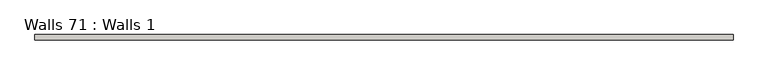
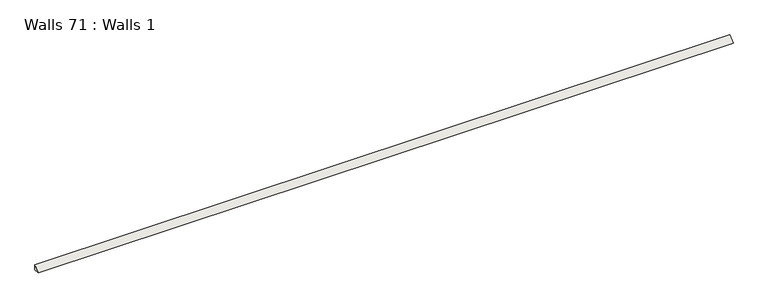
"""IFC4 building model written with IfcOpenShell, lengths in millimetres: wall geometry, Walls 71 : Walls 1."""

from ifc_helpers import new_model, si_unit, frame, origin, place, context, project, spatial, polyline, outline, extrude, source, transform, mapped, element, save


def walls_71_walls_1_80bbcda9(model_context):
    return source(origin(), model_context, "Body", "SweptSolid", [
        extrude(outline(polyline([(2133.1755881, 19.05), (2133.1755881, 0.0), (2114.1255881, 0.0), (2133.1755881, 19.05)])), frame((548.4976426, 0.0, 0.0), z_axis=(1.0, 0.0, 0.0), x_axis=(0.0, 1.0, 0.0)), (0.0, 0.0, 1.0), 2438.4),
    ])


if __name__ == "__main__":
    model = new_model("IFC4")
    model_context = context("Model", 3, world=origin())
    ifc_project = project(units=[si_unit("LENGTHUNIT", "METRE", prefix="MILLI")], contexts=[model_context])
    site = spatial("IfcSite", under=ifc_project)
    building = spatial("IfcBuilding", under=site)
    placement = place(None, origin())
    walls_71_walls_1_shape = walls_71_walls_1_80bbcda9(model_context)
    element("IfcWall", 1, ObjectType="Walls 71 : Walls 1", at=placement, inside=building, context=model_context, shape_type="MappedRepresentation", body=[
        mapped(walls_71_walls_1_shape, transform((0.0, 0.0, 0.0), x_axis=(1.0, 0.0, 0.0), y_axis=(0.0, 1.0, 0.0), z_axis=(0.0, 0.0, 1.0))),
    ])
    save(model, "model.ifc")
